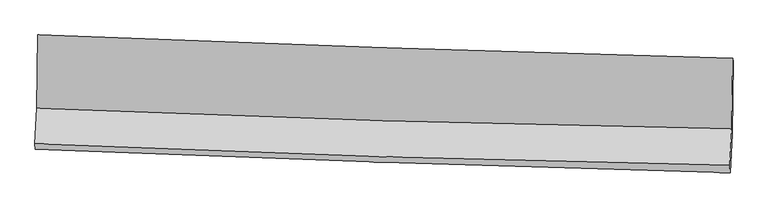
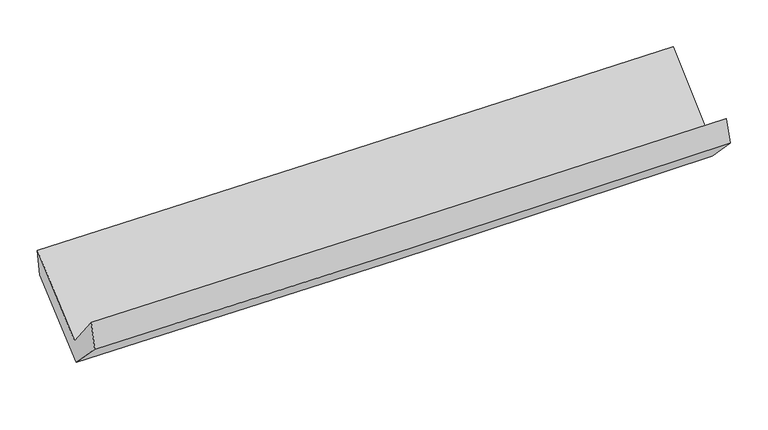
"""IFC4 building model written with IfcOpenShell, lengths in millimetres: proxy geometry."""

from ifc_helpers import new_model, si_unit, frame, origin, place, context, project, spatial, source, transform, mapped, element, save
from ifc_brep_helpers import plane_surface, spline_curve, spline_surface, advanced_brep


def generic_models_ac0b946e(model_context):
    return source(origin(), model_context, "Body", "AdvancedBrep", [
        advanced_brep(
        [(-2411.0262201, -1135.1569164, 2199.9174743), (-2416.442211, -1642.145616, 1768.3036902), (2403.9043624, -1786.1033001, 1841.1239567), (2409.8890223, -1296.0328763, 2273.8730097), (-2430.4967707, -1890.4342896, 2076.5114896), (2389.7285046, -2040.9033763, 2146.146093), (-2427.2602278, -1928.5856119, 1877.975045), (2391.7990388, -2090.8128995, 1973.6914842), (-2413.3786853, -1660.7325703, 1603.8309779), (2405.6387582, -1824.720529, 1701.3489818), (-2407.496291, -1156.8757288, 2010.0005218), (2412.5992887, -1320.8960371, 2107.5416088)],
        [
            (0, 1),
            (1, 2, spline_curve(3, [(-2416.442211, -1642.145616, 1768.3036902), (-1613.02066091, -1677.63342014, 1784.074467907), (-809.379675308, -1707.37744828, 1798.03069657), (797.403027664, -1755.349944612, 1822.299885977), (1600.544233364, -1773.591810915, 1832.617079296), (2403.9043624, -1786.1033001, 1841.1239567)], [4, 2, 4], [0.0, 7.917503567618035, 15.825767074354399])),
            (2, 3),
            (3, 0, spline_curve(3, [(2409.8890223, -1296.0328763, 2273.8730097), (1606.660560052, -1275.076259541, 2264.807611186), (803.537892803, -1251.201153574, 2254.116498788), (-803.434102168, -1197.582657635, 2229.468454761), (-1607.283182152, -1167.832443595, 2215.507722105), (-2411.0262201, -1135.1569164, 2199.9174743)], [4, 2, 4], [0.0, 7.908263506736364, 15.825767074354399])),
            (1, 4),
            (4, 5, spline_curve(3, [(-2430.4967707, -1890.4342896, 2076.5114896), (-1627.050565742, -1924.835088375, 2092.814237164), (-823.407379968, -1954.579182147, 2106.770513434), (783.334837761, -2004.724681611, 2129.976574233), (1586.433410495, -2025.136950067, 2139.231832529), (2389.7285046, -2040.9033763, 2146.146093)], [4, 2, 4], [0.0, 7.916688691368481, 15.824138272850274])),
            (5, 2),
            (4, 6),
            (6, 7, spline_curve(3, [(-2427.2602278, -1928.5856119, 1877.975045), (-1623.717270201, -1961.020364596, 1889.921080534), (-820.12301721, -1990.763003953, 1903.876297672), (786.230191131, -2044.832486341, 1935.786464201), (1588.989027182, -2069.165609582, 1953.736726933), (2391.7990388, -2090.8128995, 1973.6914842)], [4, 2, 4], [0.0, 7.916275704544547, 15.82331278117546])),
            (7, 5),
            (6, 8),
            (8, 9, spline_curve(3, [(-2413.3786853, -1660.7325703, 1603.8309779), (-1609.81009791, -1692.873917666, 1615.476629943), (-806.20652671, -1722.616833858, 1629.432048696), (800.132702793, -1777.273891974, 1661.943438145), (1602.868279445, -1802.193628669, 1680.494020395), (2405.6387582, -1824.720529, 1701.3489818)], [4, 2, 4], [0.0, 7.91606054387532, 15.82288271093859])),
            (9, 7),
            (8, 10),
            (10, 11, spline_curve(3, [(-2407.496291, -1156.8757288, 2010.0005218), (-1603.70298172, -1189.023705689, 2021.651079844), (-799.897165546, -1218.772633773, 2035.610876155), (806.801390032, -1273.440473363, 2068.129958395), (1609.694100589, -1298.364981664, 2086.683857893), (2412.5992887, -1320.8960371, 2107.5416088)], [4, 2, 4], [0.0, 7.9169900051532816, 15.824740548773967])),
            (11, 9),
            (10, 0),
            (3, 11),
        ],
        [
            spline_surface(3, 3, [[(-2411.0262201, -1135.1569164, 2199.9174743), (-1607.283182128, -1167.832443579, 2215.507722095), (-803.434102112, -1197.582657596, 2229.468454815), (803.537892747, -1251.201153612, 2254.116498733), (1606.660560147, -1275.076259576, 2264.807611164), (2409.8890223, -1296.0328763, 2273.8730097)], [(-2412.831550387, -1304.153149593, 2056.046212907), (-1609.195675037, -1337.766102401, 2071.696637346), (-805.415959863, -1367.514254531, 2085.655868741), (801.492937708, -1419.250750574, 2110.177627803), (1604.621784491, -1441.248110014, 2120.74410058), (2407.894135635, -1459.389684263, 2129.62332537)], [(-2414.636880713, -1473.149382807, 1912.174951593), (-1611.108167983, -1507.699761244, 1927.885552677), (-807.397817569, -1537.445851463, 1941.843282674), (799.447982715, -1587.300347532, 1966.238756879), (1602.583008931, -1607.419960362, 1976.680589985), (2405.899249065, -1622.746492137, 1985.37364103)], [(-2416.442211, -1642.145616, 1768.3036902), (-1613.020660892, -1677.633420065, 1784.074467928), (-809.37967532, -1707.377448398, 1798.030696599), (797.403027676, -1755.349944494, 1822.299885948), (1600.544233276, -1773.5918108, 1832.617079401), (2403.9043624, -1786.1033001, 1841.1239567)]], [4, 4], [4, 2, 4], [0.0, 2.1845616148658626], [0.0, 7.917503567618035, 15.825767074354399]),
            spline_surface(3, 3, [[(-2416.442211, -1642.145616, 1768.3036902), (-1613.020660892, -1677.633420065, 1784.074467928), (-809.37967532, -1707.377448398, 1798.030696599), (797.403027676, -1755.349944494, 1822.299885948), (1600.544233276, -1773.5918108, 1832.617079401), (2403.9043624, -1786.1033001, 1841.1239567)], [(-2421.127064248, -1724.908507204, 1871.039623339), (-1617.69729589, -1760.033976188, 1886.987724358), (-814.055576918, -1789.778026321, 1900.943968903), (792.713631059, -1838.47485687, 1924.858782071), (1595.840625698, -1857.44019055, 1934.821997078), (2399.179076471, -1871.036658827, 1942.798002124)], [(-2425.811917452, -1807.671398396, 1973.775556461), (-1622.373930842, -1842.4345323, 1989.900980771), (-818.731478474, -1872.178604229, 2003.857241127), (788.024234482, -1921.59976923, 2027.417678114), (1591.137018106, -1941.288570318, 2037.026914784), (2394.453790529, -1955.970017573, 2044.472047576)], [(-2430.4967707, -1890.4342896, 2076.5114896), (-1627.05056584, -1924.835088422, 2092.814237201), (-823.407380071, -1954.579182152, 2106.770513431), (783.334837865, -2004.724681606, 2129.976574237), (1586.433410528, -2025.136950068, 2139.231832462), (2389.7285046, -2040.9033763, 2146.146093)]], [4, 4], [4, 2, 4], [0.0, 1.299297399716563], [0.0, 7.916688691368481, 15.824138272850274]),
            spline_surface(3, 3, [[(-2430.4967707, -1890.4342896, 2076.5114896), (-1627.05056584, -1924.835088422, 2092.814237201), (-823.407380071, -1954.579182152, 2106.770513431), (783.334837865, -2004.724681606, 2129.976574237), (1586.433410528, -2025.136950068, 2139.231832462), (2389.7285046, -2040.9033763, 2146.146093)], [(-2429.41792306, -1903.15139705, 2010.332674729), (-1625.9394673, -1936.896847151, 2025.183184969), (-822.312592458, -1966.640456035, 2039.139108167), (784.299955678, -2018.093949859, 2065.246537569), (1587.285282749, -2039.813169923, 2077.400130578), (2390.418682684, -2057.539884016, 2088.661223385)], [(-2428.33907544, -1915.86850445, 1944.153859871), (-1624.828368779, -1948.958605829, 1957.552132751), (-821.217804921, -1978.701729982, 1971.507702904), (785.265073416, -2031.463218177, 2000.516500901), (1588.13715492, -2054.48938983, 2015.568428738), (2391.108860716, -2074.176391784, 2031.176353815)], [(-2427.2602278, -1928.5856119, 1877.975045), (-1623.717270239, -1961.020364557, 1889.921080519), (-820.123017308, -1990.763003864, 1903.87629764), (786.230191229, -2044.83248643, 1935.786464232), (1588.989027141, -2069.165609685, 1953.736726853), (2391.7990388, -2090.8128995, 1973.6914842)]], [4, 4], [4, 2, 4], [0.0, 0.6633910493887469], [0.0, 7.916275704544547, 15.82331278117546]),
            spline_surface(3, 3, [[(-2427.2602278, -1928.5856119, 1877.975045), (-1623.717270239, -1961.020364557, 1889.921080519), (-820.123017308, -1990.763003864, 1903.87629764), (786.230191229, -2044.83248643, 1935.786464232), (1588.989027141, -2069.165609685, 1953.736726853), (2391.7990388, -2090.8128995, 1973.6914842)], [(-2422.633046968, -1839.30126471, 1786.5936893), (-1619.081546103, -1871.638215606, 1798.439596971), (-815.484187123, -1901.380947241, 1812.394881319), (790.864361719, -1955.646288288, 1844.505455504), (1593.615444573, -1980.174949335, 1862.655824764), (2396.412278602, -2002.115442673, 1882.910650097)], [(-2418.005866132, -1750.01691749, 1695.2123336), (-1614.445821962, -1782.256066625, 1706.958113424), (-810.845356871, -1811.998890535, 1720.913465056), (795.498532278, -1866.460090062, 1753.224446835), (1598.241862001, -1891.184288967, 1771.574922584), (2401.025518398, -1913.417985827, 1792.129815903)], [(-2413.3786853, -1660.7325703, 1603.8309779), (-1609.810097826, -1692.873917673, 1615.476629876), (-806.206526686, -1722.616833912, 1629.432048735), (800.132702769, -1777.27389192, 1661.943438106), (1602.868279433, -1802.193628617, 1680.494020495), (2405.6387582, -1824.720529, 1701.3489818)]], [4, 4], [4, 2, 4], [0.0, 1.2582929205780191], [0.0, 7.91606054387532, 15.82288271093859]),
            spline_surface(3, 3, [[(-2413.3786853, -1660.7325703, 1603.8309779), (-1609.810097826, -1692.873917673, 1615.476629876), (-806.206526686, -1722.616833912, 1629.432048735), (800.132702769, -1777.27389192, 1661.943438106), (1602.868279433, -1802.193628617, 1680.494020495), (2405.6387582, -1824.720529, 1701.3489818)], [(-2411.4178872, -1492.780289786, 1739.220825891), (-1607.774392452, -1524.923846999, 1750.868113182), (-804.103406333, -1554.668767164, 1764.824991164), (802.355598557, -1609.329419097, 1797.338944897), (1605.143553155, -1634.250746274, 1815.890632936), (2407.958935038, -1656.779031703, 1836.746524109)], [(-2409.4570891, -1324.828009314, 1874.610673809), (-1605.738687078, -1356.973776367, 1886.259596416), (-802.000285991, -1386.720700424, 1900.217933618), (804.578494335, -1441.384946283, 1932.734451712), (1607.418826863, -1466.307863921, 1951.28724545), (2410.279111862, -1488.837534397, 1972.144066491)], [(-2407.496291, -1156.8757288, 2010.0005218), (-1603.702981704, -1189.023705693, 2021.651079723), (-799.897165637, -1218.772633676, 2035.610876047), (806.801390123, -1273.44047346, 2068.129958503), (1609.694100585, -1298.364981579, 2086.683857891), (2412.5992887, -1320.8960371, 2107.5416088)]], [4, 4], [4, 2, 4], [0.0, 2.1233904460322717], [0.0, 7.9169900051532816, 15.824740548773967]),
            spline_surface(3, 3, [[(-2407.496291, -1156.8757288, 2010.0005218), (-1603.702981704, -1189.023705693, 2021.651079723), (-799.897165637, -1218.772633676, 2035.610876047), (806.801390123, -1273.44047346, 2068.129958503), (1609.694100585, -1298.364981579, 2086.683857891), (2412.5992887, -1320.8960371, 2107.5416088)], [(-2408.672934036, -1149.636124657, 2073.306172635), (-1604.896381847, -1181.959951646, 2086.269960515), (-801.076144439, -1211.709308307, 2100.230068973), (805.713557688, -1266.027366835, 2130.125471916), (1608.682920443, -1290.602074229, 2146.058442331), (2411.695866571, -1312.608316817, 2162.985409115)], [(-2409.849577064, -1142.396520543, 2136.611823465), (-1606.089781984, -1174.896197627, 2150.888841303), (-802.25512331, -1204.645982966, 2164.849261889), (804.625725183, -1258.614260238, 2192.12098532), (1607.671740289, -1282.839166926, 2205.433026725), (2410.792444429, -1304.320596583, 2218.429209385)], [(-2411.0262201, -1135.1569164, 2199.9174743), (-1607.283182128, -1167.832443579, 2215.507722095), (-803.434102112, -1197.582657596, 2229.468454815), (803.537892747, -1251.201153612, 2254.116498733), (1606.660560147, -1275.076259576, 2264.807611164), (2409.8890223, -1296.0328763, 2273.8730097)]], [4, 4], [4, 2, 4], [0.0, 0.6272773238960587], [0.0, 7.918064583126173, 15.826888450641896]),
            plane_surface(frame((2402.2598292, -1726.5781697, 2007.2875224), z_axis=(0.9993132503025643, -0.030624345178706644, 0.020860902475678195), x_axis=(0.01075468067806865, 0.7784566875498842, 0.6276061842050115))),
            plane_surface(frame((-2417.683401, -1568.9884555, 1922.7565331), z_axis=(-0.9993287381068987, 0.029345232198438133, -0.02193012861096815), x_axis=(0.018463190512375625, -0.11359961047877175, -0.9933550418129337))),
        ],
        [
            (0, [[1, 2, 3, 4]]),
            (1, [[5, 6, 7, -2]]),
            (2, [[8, 9, 10, -6]]),
            (3, [[11, 12, 13, -9]]),
            (4, [[14, 15, 16, -12]]),
            (5, [[17, -4, 18, -15]]),
            (6, [[-16, -18, -3, -7, -10, -13]]),
            (7, [[-17, -14, -11, -8, -5, -1]]),
        ],
    ),
    ])


if __name__ == "__main__":
    model = new_model("IFC4")
    model_context = context("Model", 3, world=origin())
    ifc_project = project(units=[si_unit("LENGTHUNIT", "METRE", prefix="MILLI")], contexts=[model_context])
    site = spatial("IfcSite", under=ifc_project)
    building = spatial("IfcBuilding", under=site)
    placement = place(None, origin())
    generic_models_shape = generic_models_ac0b946e(model_context)
    element("IfcBuildingElementProxy", 1, Name="Generic Models", at=placement, inside=building, context=model_context, shape_type="MappedRepresentation", body=[
        mapped(generic_models_shape, transform((0.0, 0.0, 0.0), x_axis=(1.0, 0.0, 0.0), y_axis=(0.0, 1.0, 0.0), z_axis=(0.0, 0.0, 1.0))),
    ])
    save(model, "model.ifc")
